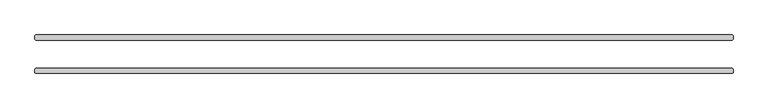
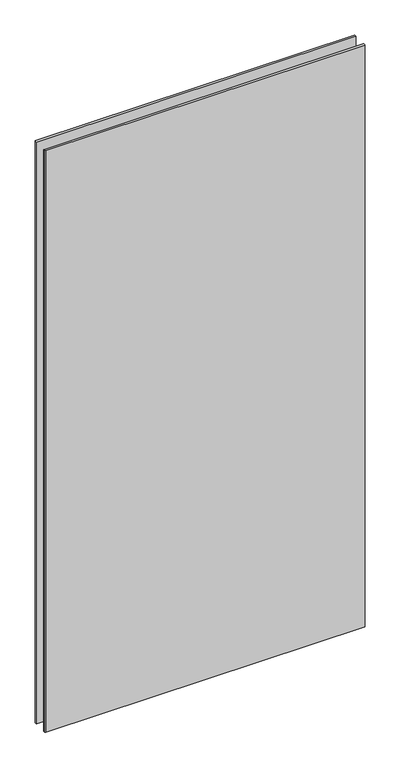
"""IFC4 building model written with IfcOpenShell, lengths in millimetres: plate geometry."""

from ifc_helpers import new_model, si_unit, origin, origin_with_axes, place, context, project, spatial, polyline, outline, extrude, source, transform, mapped, element, save


def plate_18f9632a(model_context):
    return source(origin(), model_context, "Body", "SweptSolid", [
        extrude(outline(polyline([(630.634375, 25.4), (-630.634375, 25.4), (-632.221875, 26.9875), (-632.221875, 33.3375), (-630.634375, 34.925), (630.634375, 34.925), (632.221875, 33.3375), (632.221875, 26.9875), (630.634375, 25.4)])), origin_with_axes(), (0.0, 0.0, 1.0), 2428.7789267),
        extrude(outline(polyline([(630.634375, -34.925), (-630.634375, -34.925), (-632.221875, -33.3375), (-632.221875, -26.9875), (-630.634375, -25.4), (630.634375, -25.4), (632.221875, -26.9875), (632.221875, -33.3375), (630.634375, -34.925)])), origin_with_axes(), (0.0, 0.0, 1.0), 2428.7789267),
    ])


if __name__ == "__main__":
    model = new_model("IFC4")
    model_context = context("Model", 3, world=origin())
    ifc_project = project(units=[si_unit("LENGTHUNIT", "METRE", prefix="MILLI")], contexts=[model_context])
    site = spatial("IfcSite", under=ifc_project)
    building = spatial("IfcBuilding", under=site)
    placement = place(None, origin())
    plate_shape = plate_18f9632a(model_context)
    element("IfcPlate", 1, at=placement, inside=building, context=model_context, shape_type="MappedRepresentation", body=[
        mapped(plate_shape, transform((0.0, 0.0, 0.0), x_axis=(1.0, 0.0, 0.0), y_axis=(0.0, 1.0, 0.0), z_axis=(0.0, 0.0, 1.0))),
    ])
    save(model, "model.ifc")
